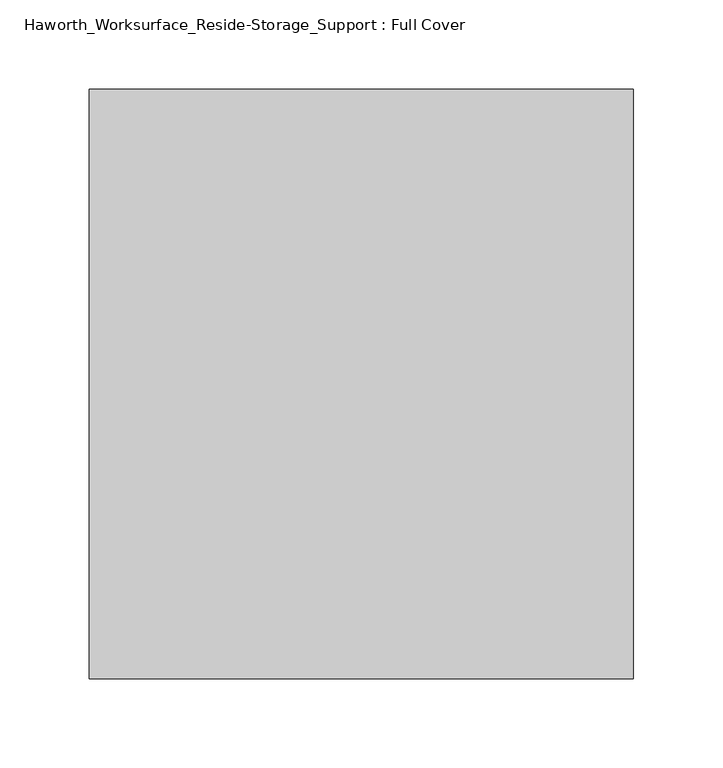
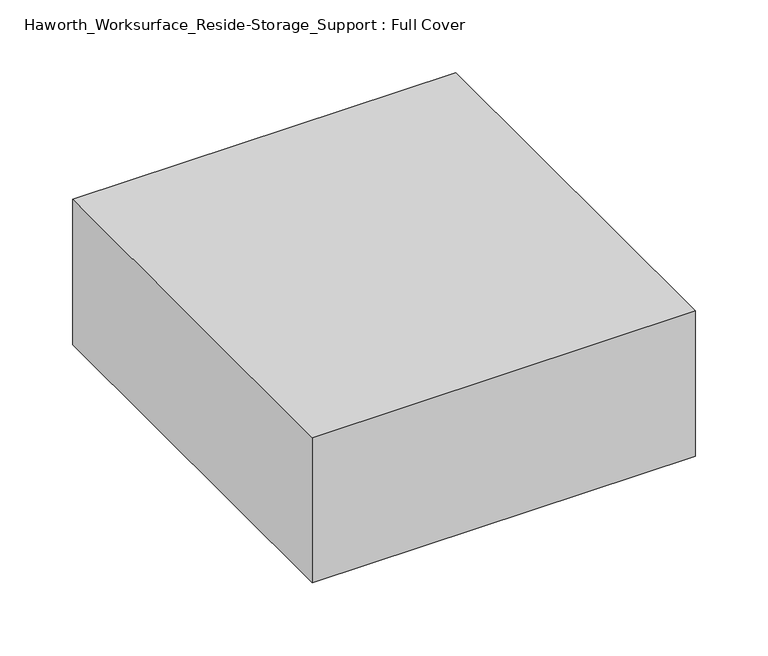
"""IFC4 building model written with IfcOpenShell, lengths in millimetres: furniture geometry, Haworth_Worksurface_Reside-Storage_Support : Full Cover."""

import ifcopenshell
import ifcopenshell.guid

model = None  # the IFC model being written
_history = None  # IfcOwnerHistory: only IFC2X3 demands one
_inside = {}  # id of a spatial element -> (the spatial element, [elements in it])
_under = {}  # id of a project, library or spatial element -> (it, [spatial elements below it])
_declared = {}  # id of a project -> (the project, [libraries it declares])
_typed = {}  # id of a type object -> (the type object, [elements of that type])
_made_of = {}  # id of a material, layer set ... -> (it, [elements and type objects made of it])


def new_model(schema):
    """Start an empty IFC model of exactly this schema.

    Asked for "IFC4X3", IfcOpenShell would pick the latest addendum, in which some entities
    have other attributes; the version numbers below select the first issue.
    IFC2X3 requires an IfcOwnerHistory on every rooted entity: one is made here for all.
    """
    global model, _history
    if schema == "IFC4X3":
        model = ifcopenshell.file(schema_version=(4, 3, 0, 0))
    else:
        model = ifcopenshell.file(schema=schema)
    _inside.clear()
    _under.clear()
    _declared.clear()
    _typed.clear()
    _made_of.clear()
    _history = None
    if model.schema == "IFC2X3":
        org = make("IfcOrganization", Name="unknown")
        user = make(
            "IfcPersonAndOrganization",
            ThePerson=make("IfcPerson", FamilyName="unknown"),
            TheOrganization=org,
        )
        app = make(
            "IfcApplication",
            ApplicationDeveloper=org,
            Version="unknown",
            ApplicationFullName="unknown",
            ApplicationIdentifier="unknown",
        )
        _history = make(
            "IfcOwnerHistory",
            OwningUser=user,
            OwningApplication=app,
            ChangeAction="ADDED",
            CreationDate=0,
        )
    return model


def make(cls, **values):
    """One entity of the class cls with the attributes given. An attribute that is None is left unset."""
    return model.create_entity(
        cls, **{name: value for name, value in values.items() if value is not None}
    )


def rooted(cls, **values):
    """An entity with a GlobalId (a new one), such as an element, a storey or a relation."""
    return make(cls, GlobalId=ifcopenshell.guid.new(), OwnerHistory=_history, **values)


def si_unit(unit_type, name, prefix=None):
    """IfcSIUnit, for example si_unit("LENGTHUNIT", "METRE", prefix="MILLI")."""
    return make("IfcSIUnit", UnitType=unit_type, Prefix=prefix, Name=name)


def assignment(units):
    """IfcUnitAssignment: the units of a project."""
    return None if units is None else make("IfcUnitAssignment", Units=units)


def point(xyz):
    """IfcCartesianPoint."""
    return None if xyz is None else make("IfcCartesianPoint", Coordinates=xyz)


def direction(xyz):
    """IfcDirection."""
    return None if xyz is None else make("IfcDirection", DirectionRatios=xyz)


def frame(location, z_axis=None, x_axis=None):
    """IfcAxis2Placement3D, a coordinate frame: its origin and axes. An axis left out is left unset."""
    return make(
        "IfcAxis2Placement3D",
        Location=point(location),
        Axis=direction(z_axis),
        RefDirection=direction(x_axis),
    )


def origin():
    """The frame at (0, 0, 0) with its axes left unset."""
    return frame((0.0, 0.0, 0.0))


def place(relative_to, where):
    """IfcLocalPlacement: puts the frame where relative to a parent placement (None: the world)."""
    return make(
        "IfcLocalPlacement", PlacementRelTo=relative_to, RelativePlacement=where
    )


def context(
    kind, dimensions, precision=None, world=None, true_north=None, identifier=None
):
    """IfcGeometricRepresentationContext, for example the 3D "Model" context."""
    return make(
        "IfcGeometricRepresentationContext",
        ContextIdentifier=identifier,
        ContextType=kind,
        CoordinateSpaceDimension=dimensions,
        Precision=precision,
        WorldCoordinateSystem=world,
        TrueNorth=true_north,
    )


def project(units=None, contexts=None):
    """IfcProject with its units and contexts."""
    return rooted(
        "IfcProject",
        Name="project",
        RepresentationContexts=contexts,
        UnitsInContext=assignment(units),
    )


def spatial(cls, under=None, at=None, **own):
    """A site, building, storey or space (cls), placed at a placement, below another one or the project."""
    s = rooted(cls, ObjectPlacement=at, **own)
    if under is not None:
        _under.setdefault(under.id(), (under, []))[1].append(s)
    return s


def polyline(points):
    """IfcPolyline through the points."""
    return make("IfcPolyline", Points=[point(p) for p in points])


def outline(outer, holes=None, kind="AREA"):
    """IfcArbitraryClosedProfileDef: a profile drawn as a closed curve; with holes, ...WithVoids."""
    if holes is None:
        return make("IfcArbitraryClosedProfileDef", ProfileType=kind, OuterCurve=outer)
    return make(
        "IfcArbitraryProfileDefWithVoids",
        ProfileType=kind,
        OuterCurve=outer,
        InnerCurves=holes,
    )


def extrude(swept, where, along, depth):
    """IfcExtrudedAreaSolid: the profile swept, set in the frame where, extruded along a direction by depth."""
    return make(
        "IfcExtrudedAreaSolid",
        SweptArea=swept,
        Position=where,
        ExtrudedDirection=direction(along),
        Depth=depth,
    )


def shape(context_of_items, identifier, shape_type, items):
    """IfcShapeRepresentation: the items that make up one representation, for example the "Body"."""
    return make(
        "IfcShapeRepresentation",
        ContextOfItems=context_of_items,
        RepresentationIdentifier=identifier,
        RepresentationType=shape_type,
        Items=items,
    )


def source(mapping_origin, context_of_items, identifier, shape_type, items):
    """IfcRepresentationMap: a shape defined once, which mapped items show again and again."""
    return make(
        "IfcRepresentationMap",
        MappingOrigin=mapping_origin,
        MappedRepresentation=shape(context_of_items, identifier, shape_type, items),
    )


def transform(
    local_origin,
    x_axis=None,
    y_axis=None,
    z_axis=None,
    scale=None,
    scale2=None,
    scale3=None,
    uniform=True,
):
    """IfcCartesianTransformationOperator3D, or its non-uniform kind. x_axis, y_axis, z_axis: its Axis1, 2, 3."""
    if uniform:
        return make(
            "IfcCartesianTransformationOperator3D",
            Axis1=direction(x_axis),
            Axis2=direction(y_axis),
            LocalOrigin=point(local_origin),
            Scale=scale,
            Axis3=direction(z_axis),
        )
    return make(
        "IfcCartesianTransformationOperator3DnonUniform",
        Axis1=direction(x_axis),
        Axis2=direction(y_axis),
        LocalOrigin=point(local_origin),
        Scale=scale,
        Axis3=direction(z_axis),
        Scale2=scale2,
        Scale3=scale3,
    )


def mapped(mapping_source, mapping_target):
    """IfcMappedItem: shows the shape of a source again, moved by a transform."""
    return make(
        "IfcMappedItem", MappingSource=mapping_source, MappingTarget=mapping_target
    )


def made_of(thing, what):
    """Note that an element or type object is made of a material, layer set ...; save() writes the relation."""
    if what is not None:
        _made_of.setdefault(what.id(), (what, []))[1].append(thing)
    return thing


def element(
    cls,
    number,
    at=None,
    inside=None,
    cuts=None,
    type_object=None,
    material=None,
    context=None,
    identifier="Body",
    shape_type=None,
    held_by="IfcProductDefinitionShape",
    body=None,
    shapes=None,
    **own,
):
    """One element of the class cls, such as IfcWall. Its Tag is "e" and its number.

    at: its placement. inside: the storey or other place that contains it. cuts: it is an
    opening in that element (IfcRelVoidsElement). A single representation is given by context,
    identifier, shape_type and body (its items); several are given by shapes. held_by: the class
    of the entity that holds the representations. save() writes the other relations.
    """
    e = rooted(cls, Tag="e%d" % number, ObjectPlacement=at, **own)
    if body is not None:
        shapes = [shape(context, identifier, shape_type, body)]
    if shapes is not None:
        e.Representation = make(held_by, Representations=shapes)
    if inside is not None:
        _inside.setdefault(inside.id(), (inside, []))[1].append(e)
    if cuts is not None:
        rooted(
            "IfcRelVoidsElement", RelatingBuildingElement=cuts, RelatedOpeningElement=e
        )
    if type_object is not None:
        _typed.setdefault(type_object.id(), (type_object, []))[1].append(e)
    return made_of(e, material)


def aggregate(whole, parts):
    """IfcRelAggregates: a whole, such as a stair, and the parts it consists of."""
    return rooted("IfcRelAggregates", RelatingObject=whole, RelatedObjects=parts)


def save(model, path):
    """Write the relations noted so far, then the file.

    IfcRelAggregates (storeys below a building ...), IfcRelContainedInSpatialStructure (elements
    in a storey), IfcRelDefinesByType, IfcRelAssociatesMaterial and IfcRelDeclares: one each for
    every whole, place, type object, material and project.
    """
    for whole, parts in _under.values():
        aggregate(whole, parts)
    for where, things in _inside.values():
        rooted(
            "IfcRelContainedInSpatialStructure",
            RelatedElements=things,
            RelatingStructure=where,
        )
    for kind, things in _typed.values():
        rooted("IfcRelDefinesByType", RelatedObjects=things, RelatingType=kind)
    for what, things in _made_of.values():
        rooted("IfcRelAssociatesMaterial", RelatedObjects=things, RelatingMaterial=what)
    for by, libraries in _declared.values():
        rooted("IfcRelDeclares", RelatingContext=by, RelatedDefinitions=libraries)
    model.write(path)


def haworth_worksurface_reside_storage_support_full_cover_eba456ca(model_context):
    return source(origin(), model_context, "Body", "SweptSolid", [
        extrude(outline(polyline([(454.025, 197.0645843), (454.025, -133.1354157), (149.225, -133.1354157), (149.225, 197.0645843), (454.025, 197.0645843)])), frame((0.0, 0.0, 584.2), z_axis=(0.0, 0.0, 1.0), x_axis=(1.0, 0.0, 0.0)), (0.0, 0.0, 1.0), 122.2375),
    ])


if __name__ == "__main__":
    model = new_model("IFC4")
    model_context = context("Model", 3, world=origin())
    ifc_project = project(units=[si_unit("LENGTHUNIT", "METRE", prefix="MILLI")], contexts=[model_context])
    site = spatial("IfcSite", under=ifc_project)
    building = spatial("IfcBuilding", under=site)
    placement = place(None, origin())
    haworth_worksurface_reside_storage_support_full_cover_shape = haworth_worksurface_reside_storage_support_full_cover_eba456ca(model_context)
    element("IfcFurniture", 1, ObjectType="Haworth_Worksurface_Reside-Storage_Support : Full Cover", at=placement, inside=building, context=model_context, shape_type="MappedRepresentation", body=[
        mapped(haworth_worksurface_reside_storage_support_full_cover_shape, transform((0.0, 0.0, 0.0), x_axis=(1.0, 0.0, 0.0), y_axis=(0.0, 1.0, 0.0), z_axis=(0.0, 0.0, 1.0))),
    ])
    save(model, "model.ifc")
